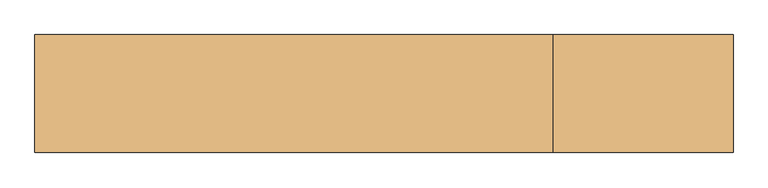
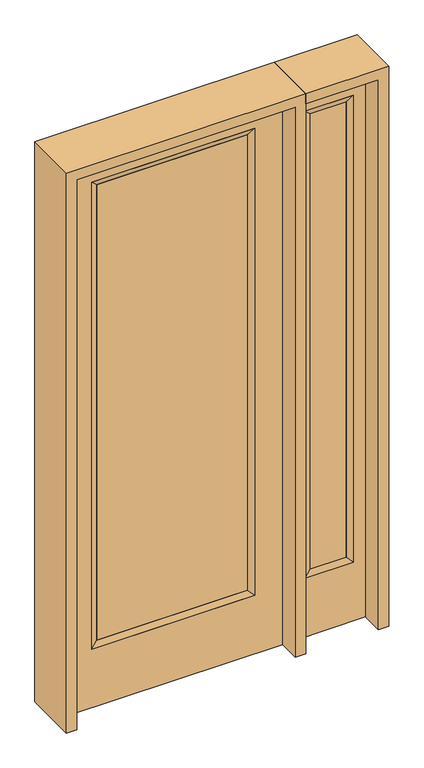
"""IFC4 building model written with IfcOpenShell, lengths in millimetres: door geometry."""

from ifc_helpers import new_model, si_unit, frame, origin, place, context, project, spatial, polyline, outline, extrude, faceted_brep, source, transform, mapped, element, save


def door_28fb3940(model_context):
    return source(origin(), model_context, "Body", "SolidModel", [
        extrude(outline(polyline([(316.3824, -12.7039749), (-316.3824, -12.7039749), (-316.3824, 14.2875), (316.3824, 14.2875), (316.3824, -12.7039749)])), frame((0.0, 0.0, 285.75), z_axis=(0.0, 0.0, 1.0), x_axis=(1.0, 0.0, 0.0)), (0.0, 0.0, 1.0), 2019.3),
        faceted_brep([(316.3824, 14.2875, 2305.05), (341.7824, 22.225, 2330.45), (341.7824, 22.225, 260.35), (316.3824, 14.2875, 285.75), (341.7824, -22.225, 2330.45), (341.7824, -22.225, 260.35), (-341.7824, 22.225, 260.35), (-316.3824, 14.2875, 285.75), (316.3824, -12.7039749, 2305.05), (316.3824, -12.7039749, 285.75), (-316.3824, -12.7039749, 285.75), (-341.7824, -22.225, 260.35), (-341.7824, 22.225, 2330.45), (-316.3824, 14.2875, 2305.05), (-316.3824, -12.7039749, 2305.05), (-341.7824, -22.225, 2330.45)], [[[0, 1, 2, 3]], [[1, 4, 5, 2]], [[3, 2, 6, 7]], [[8, 0, 3, 9]], [[9, 3, 7, 10]], [[4, 8, 9, 5]], [[5, 9, 10, 11]], [[2, 5, 11, 6]], [[7, 6, 12, 13]], [[10, 7, 13, 14]], [[11, 10, 14, 15]], [[6, 11, 15, 12]], [[13, 12, 1, 0]], [[14, 13, 0, 8]], [[15, 14, 8, 4]], [[12, 15, 4, 1]]]),
        extrude(outline(polyline([(0.0, -457.2), (0.0, 457.2), (2438.4, 457.2), (2438.4, -457.2), (0.0, -457.2)]), holes=[polyline([(260.35, -341.7824), (2330.45, -341.7824), (2330.45, 341.7824), (260.35, 341.7824), (260.35, -341.7824)])]), frame((0.0, -22.225, 0.0), z_axis=(0.0, 1.0, 0.0), x_axis=(0.0, 0.0, 1.0)), (0.0, 0.0, 1.0), 44.45),
        faceted_brep([(552.45, 20.6375, 2330.45), (552.45, 20.6375, 260.35), (552.45, -20.6375, 260.35), (552.45, -20.6375, 2330.45), (577.85, -12.7, 285.75), (577.85, -12.7, 2305.05), (755.65, 20.6375, 260.35), (755.65, -20.6375, 260.35), (577.85, 12.7, 2305.05), (577.85, 12.7, 285.75), (730.25, 12.7, 285.75), (730.25, -12.7, 285.75), (755.65, 20.6375, 2330.45), (755.65, -20.6375, 2330.45), (730.25, 12.7, 2305.05), (730.25, -12.7, 2305.05)], [[[0, 1, 2, 3]], [[3, 2, 4, 5]], [[1, 6, 7, 2]], [[8, 9, 1, 0]], [[9, 10, 6, 1]], [[5, 4, 9, 8]], [[4, 11, 10, 9]], [[2, 7, 11, 4]], [[6, 12, 13, 7]], [[10, 14, 12, 6]], [[11, 15, 14, 10]], [[7, 13, 15, 11]], [[12, 0, 3, 13]], [[14, 8, 0, 12]], [[15, 5, 8, 14]], [[13, 3, 5, 15]]]),
        extrude(outline(polyline([(0.0, 806.45), (2438.4, 806.45), (2438.4, 501.65), (0.0, 501.65), (0.0, 806.45)]), holes=[polyline([(2330.45, 552.45), (2330.45, 755.65), (260.35, 755.65), (260.35, 552.45), (2330.45, 552.45)])]), frame((0.0, -20.6375, 0.0), z_axis=(0.0, 1.0, 0.0), x_axis=(0.0, 0.0, 1.0)), (0.0, 0.0, 1.0), 41.275),
        extrude(outline(polyline([(577.85, -12.7), (577.85, 12.7), (730.25, 12.7), (730.25, -12.7), (577.85, -12.7)])), frame((0.0, 0.0, 284.95625), z_axis=(0.0, 0.0, 1.0), x_axis=(1.0, 0.0, 0.0)), (0.0, 0.0, 1.0), 2020.09375),
        extrude(outline(polyline([(2482.85, -501.65), (0.0, -501.65), (0.0, -457.2), (2438.4, -457.2), (2438.4, 457.2), (0.0, 457.2), (0.0, 501.65), (2482.85, 501.65), (2482.85, -501.65)])), frame((0.0, -114.3, 0.0), z_axis=(0.0, 1.0, 0.0), x_axis=(0.0, 0.0, 1.0)), (0.0, 0.0, 1.0), 228.6),
        extrude(outline(polyline([(0.0, 806.45), (0.0, 850.9), (2482.85, 850.9), (2482.85, 501.65), (2438.4, 501.65), (2438.4, 806.45), (0.0, 806.45)])), frame((0.0, -114.3, 0.0), z_axis=(0.0, 1.0, 0.0), x_axis=(0.0, 0.0, 1.0)), (0.0, 0.0, 1.0), 228.6),
    ])


if __name__ == "__main__":
    model = new_model("IFC4")
    model_context = context("Model", 3, world=origin())
    ifc_project = project(units=[si_unit("LENGTHUNIT", "METRE", prefix="MILLI")], contexts=[model_context])
    site = spatial("IfcSite", under=ifc_project)
    building = spatial("IfcBuilding", under=site)
    placement = place(None, origin())
    door_shape = door_28fb3940(model_context)
    element("IfcDoor", 1, at=placement, inside=building, context=model_context, shape_type="MappedRepresentation", body=[
        mapped(door_shape, transform((0.0, 0.0, 0.0), x_axis=(1.0, 0.0, 0.0), y_axis=(0.0, 1.0, 0.0), z_axis=(0.0, 0.0, 1.0))),
    ])
    save(model, "model.ifc")
